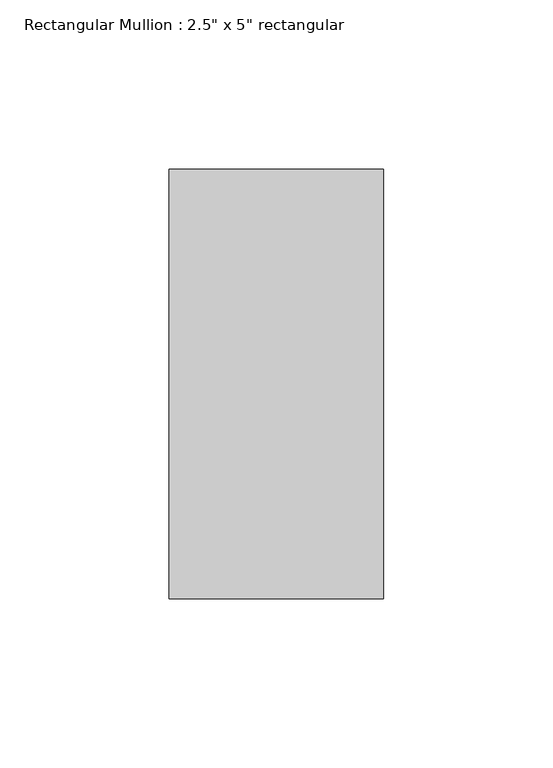
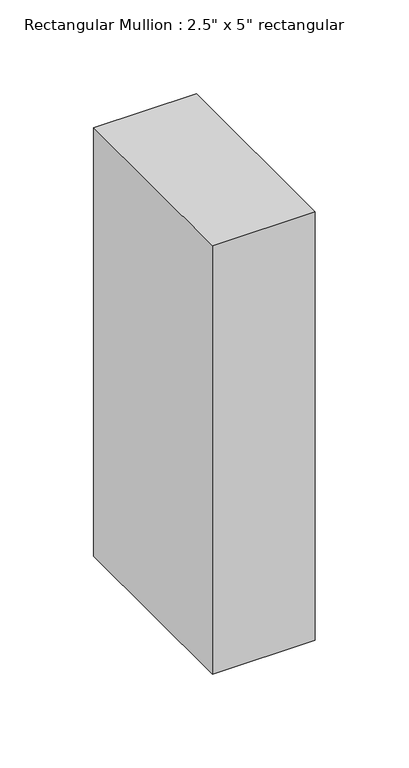
"""IFC4 building model written with IfcOpenShell, lengths in millimetres: member geometry."""

from ifc_helpers import new_model, si_unit, frame, origin, place, context, project, spatial, polyline, outline, extrude, source, transform, mapped, element, save


def member_d3323a85(model_context):
    return source(origin(), model_context, "Body", "SweptSolid", [
        extrude(outline(polyline([(0.0, 63.5), (0.0, -63.5), (-63.5, -63.5), (-63.5, 63.5), (0.0, 63.5)])), frame((0.0, 0.0, -279.4), z_axis=(0.0, 0.0, 1.0), x_axis=(1.0, 0.0, 0.0)), (0.0, 0.0, 1.0), 279.4),
    ])


if __name__ == "__main__":
    model = new_model("IFC4")
    model_context = context("Model", 3, world=origin())
    ifc_project = project(units=[si_unit("LENGTHUNIT", "METRE", prefix="MILLI")], contexts=[model_context])
    site = spatial("IfcSite", under=ifc_project)
    building = spatial("IfcBuilding", under=site)
    placement = place(None, origin())
    member_shape = member_d3323a85(model_context)
    element("IfcMember", 1, ObjectType="Rectangular Mullion : 2.5\" x 5\" rectangular", at=placement, inside=building, context=model_context, shape_type="MappedRepresentation", body=[
        mapped(member_shape, transform((0.0, 0.0, 0.0), x_axis=(1.0, 0.0, 0.0), y_axis=(0.0, 1.0, 0.0), z_axis=(0.0, 0.0, 1.0))),
    ])
    save(model, "model.ifc")
